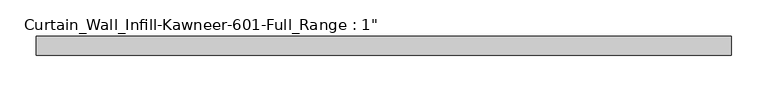
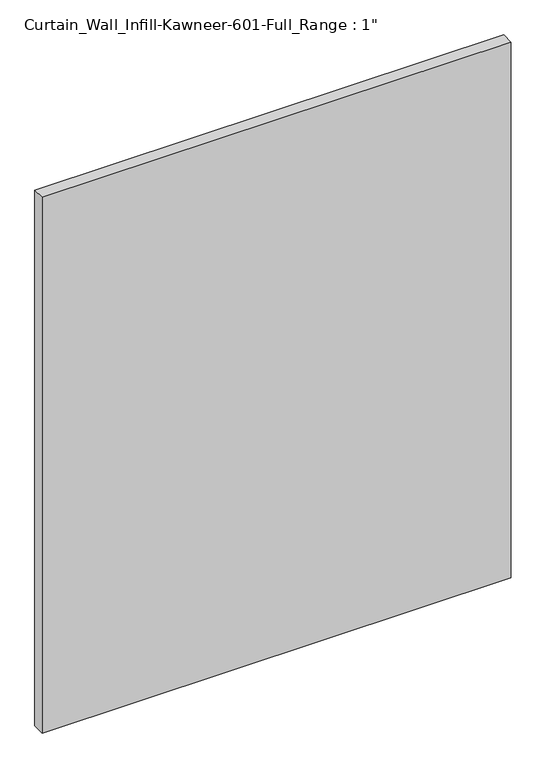
"""IFC4 building model written with IfcOpenShell, lengths in millimetres: plate geometry."""

from ifc_helpers import new_model, si_unit, origin, origin_with_axes, place, context, project, spatial, polyline, outline, extrude, source, transform, mapped, element, save


def plate_c044d817(model_context):
    return source(origin(), model_context, "Body", "SweptSolid", [
        extrude(outline(polyline([(-476.25, 12.7), (476.25, 12.7), (476.25, -12.7), (-476.25, -12.7), (-476.25, 12.7)])), origin_with_axes(), (0.0, 0.0, 1.0), 1149.35),
    ])


if __name__ == "__main__":
    model = new_model("IFC4")
    model_context = context("Model", 3, world=origin())
    ifc_project = project(units=[si_unit("LENGTHUNIT", "METRE", prefix="MILLI")], contexts=[model_context])
    site = spatial("IfcSite", under=ifc_project)
    building = spatial("IfcBuilding", under=site)
    placement = place(None, origin())
    plate_shape = plate_c044d817(model_context)
    element("IfcPlate", 1, ObjectType="Curtain_Wall_Infill-Kawneer-601-Full_Range : 1\"", at=placement, inside=building, context=model_context, shape_type="MappedRepresentation", body=[
        mapped(plate_shape, transform((0.0, 0.0, 0.0), x_axis=(1.0, 0.0, 0.0), y_axis=(0.0, 1.0, 0.0), z_axis=(0.0, 0.0, 1.0))),
    ])
    save(model, "model.ifc")
